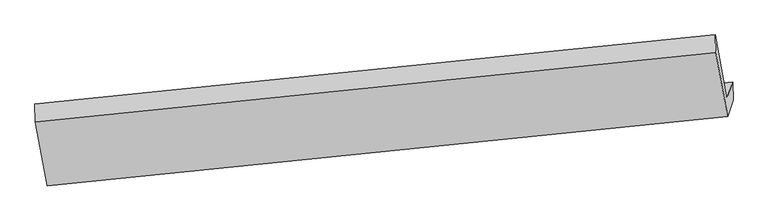
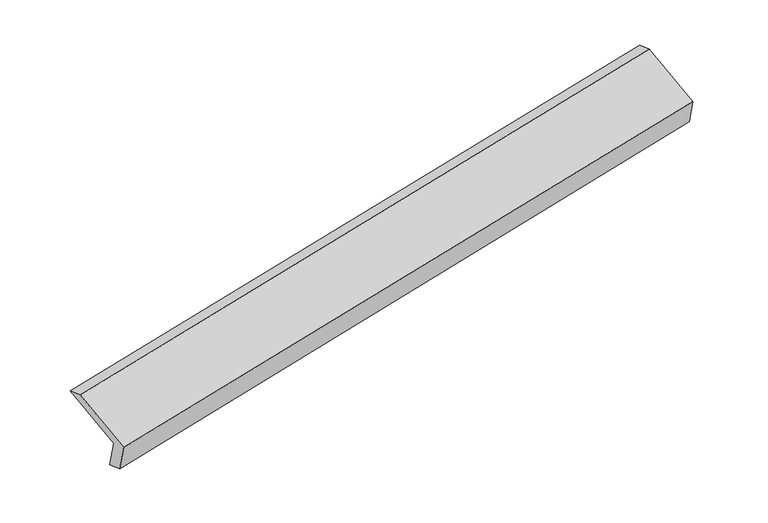
"""IFC4 building model written with IfcOpenShell, lengths in millimetres: proxy geometry."""

from ifc_helpers import new_model, si_unit, frame, origin, place, context, project, spatial, source, transform, mapped, element, save
from ifc_brep_helpers import plane_surface, spline_surface, advanced_brep


def generic_models_b5fdf55a(model_context):
    return source(origin(), model_context, "Body", "AdvancedBrep", [
        advanced_brep(
        [(-6073.7388607, -2004.6653954, 1304.4461685), (-6185.2818021, -1398.5813882, 1567.5620499), (272.6746064, -741.492347, 2817.1601766), (384.2175478, -1347.5763542, 2554.0442952), (-6018.3494331, -1837.6614156, 943.2359628), (436.8498074, -1188.8854776, 2210.8143659), (-6011.7105547, -2008.2415093, 993.8427623), (442.1101018, -1363.6221229, 2270.4113036), (-6067.7484954, -2177.200813, 1359.2821063), (390.2079132, -1520.1117718, 2608.880233), (-6179.7092007, -1568.8468282, 1623.3834404), (278.2472079, -911.757787, 2872.9815672)],
        [
            (0, 1),
            (1, 2),
            (2, 3),
            (3, 0),
            (4, 0),
            (3, 5),
            (5, 4),
            (6, 4),
            (5, 7),
            (7, 6),
            (8, 6),
            (7, 9),
            (9, 8),
            (10, 8),
            (9, 11),
            (11, 10),
            (1, 10),
            (11, 2),
        ],
        [
            plane_surface(frame((-6129.5103314, -1701.6233918, 1436.0041092), z_axis=(0.13194789708773044, 0.4150695615191129, -0.9001705458158789), x_axis=(-0.16646167897345635, 0.9044925668134801, 0.39266233077862234))),
            plane_surface(frame((-6046.0441469, -1921.1634055, 1123.8410656), z_axis=(-0.16793850852186565, 0.9043470320859915, 0.3923685804351694), x_axis=(-0.13785839961424187, -0.41565516025764054, 0.8990138204760788))),
            spline_surface(1, 1, [[(-6011.7105547, -2008.2415093, 993.8427623), (442.1101018, -1363.6221229, 2270.4113036)], [(-6018.3494331, -1837.6614156, 943.2359628), (436.8498074, -1188.8854776, 2210.8143659)]], [2, 2], [2, 2], [0.0, 1.0], [0.0, 1.0]),
            plane_surface(frame((-6039.729525, -2092.7211612, 1176.5624343), z_axis=(0.16793850852186343, -0.9043470320859919, -0.3923685804351696), x_axis=(0.1378583996142418, 0.4156551602576402, -0.8990138204760789))),
            plane_surface(frame((-6123.728848, -1873.0238206, 1491.3327734), z_axis=(-0.1319478970877343, -0.4150695615190946, 0.9001705458158868), x_axis=(0.16646167897344014, -0.90449256681349, -0.3926623307786066))),
            plane_surface(frame((-6182.4955014, -1483.7141082, 1595.4727451), z_axis=(-0.210493498238669, 0.2983265553017239, 0.9309638841550488), x_axis=(0.031085124186090236, -0.9497758556548739, 0.3113832671634551))),
            plane_surface(frame((367.3845307, -1178.9076434, 2555.7153236), z_axis=(0.9763634421101222, 0.09551954946688568, 0.19388255357436707), x_axis=(0.1378583996142418, 0.4156551602576402, -0.8990138204760789))),
            plane_surface(frame((-6089.4230578, -1832.5328916, 1298.625415), z_axis=(-0.9763634421101283, -0.09551954946685137, -0.19388255357435374), x_axis=(0.16646167897345665, -0.9044925668134833, -0.39266233077861495))),
        ],
        [
            (0, [[1, 2, 3, 4]]),
            (1, [[5, -4, 6, 7]]),
            (2, [[8, -7, 9, 10]]),
            (3, [[11, -10, 12, 13]]),
            (4, [[14, -13, 15, 16]]),
            (5, [[17, -16, 18, -2]]),
            (6, [[-12, -9, -6, -3, -18, -15]]),
            (7, [[-1, -5, -8, -11, -14, -17]]),
        ],
    ),
    ])


if __name__ == "__main__":
    model = new_model("IFC4")
    model_context = context("Model", 3, world=origin())
    ifc_project = project(units=[si_unit("LENGTHUNIT", "METRE", prefix="MILLI")], contexts=[model_context])
    site = spatial("IfcSite", under=ifc_project)
    building = spatial("IfcBuilding", under=site)
    placement = place(None, origin())
    generic_models_shape = generic_models_b5fdf55a(model_context)
    element("IfcBuildingElementProxy", 1, Name="Generic Models", at=placement, inside=building, context=model_context, shape_type="MappedRepresentation", body=[
        mapped(generic_models_shape, transform((0.0, 0.0, 0.0), x_axis=(1.0, 0.0, 0.0), y_axis=(0.0, 1.0, 0.0), z_axis=(0.0, 0.0, 1.0))),
    ])
    save(model, "model.ifc")
